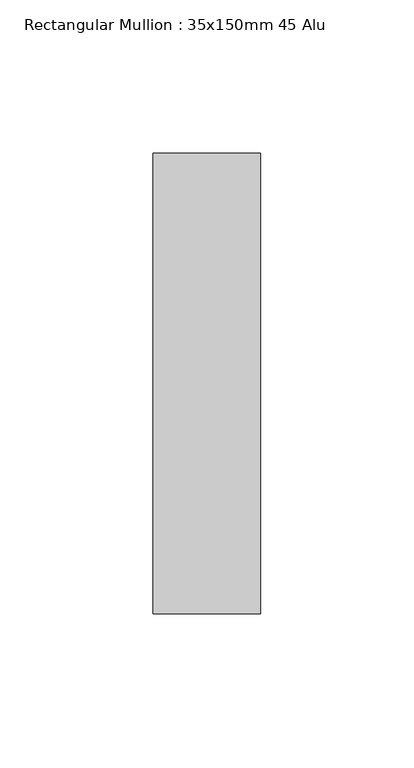
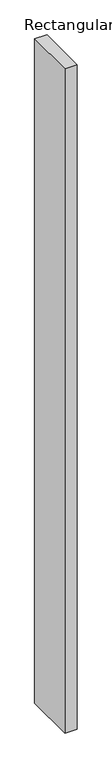
"""IFC4 building model written with IfcOpenShell, lengths in millimetres: member geometry, Rectangular Mullion : 35x150mm 45 Alu."""

from ifc_helpers import new_model, si_unit, frame, origin, place, context, project, spatial, polyline, outline, extrude, source, transform, mapped, element, save


def rectangular_mullion_35x150mm_45_alu_4acdddc2(model_context):
    return source(origin(), model_context, "Body", "SweptSolid", [
        extrude(outline(polyline([(0.0, 30.0), (0.0, -120.0), (-35.0, -120.0), (-35.0, 30.0), (0.0, 30.0)])), frame((0.0, 0.0, -2017.6957848), z_axis=(0.0, 0.0, 1.0), x_axis=(1.0, 0.0, 0.0)), (0.0, 0.0, 1.0), 2017.6957848),
    ])


if __name__ == "__main__":
    model = new_model("IFC4")
    model_context = context("Model", 3, world=origin())
    ifc_project = project(units=[si_unit("LENGTHUNIT", "METRE", prefix="MILLI")], contexts=[model_context])
    site = spatial("IfcSite", under=ifc_project)
    building = spatial("IfcBuilding", under=site)
    placement = place(None, origin())
    rectangular_mullion_35x150mm_45_alu_shape = rectangular_mullion_35x150mm_45_alu_4acdddc2(model_context)
    element("IfcMember", 1, ObjectType="Rectangular Mullion : 35x150mm 45 Alu", at=placement, inside=building, context=model_context, shape_type="MappedRepresentation", body=[
        mapped(rectangular_mullion_35x150mm_45_alu_shape, transform((0.0, 0.0, 0.0), x_axis=(1.0, 0.0, 0.0), y_axis=(0.0, 1.0, 0.0), z_axis=(0.0, 0.0, 1.0))),
    ])
    save(model, "model.ifc")
